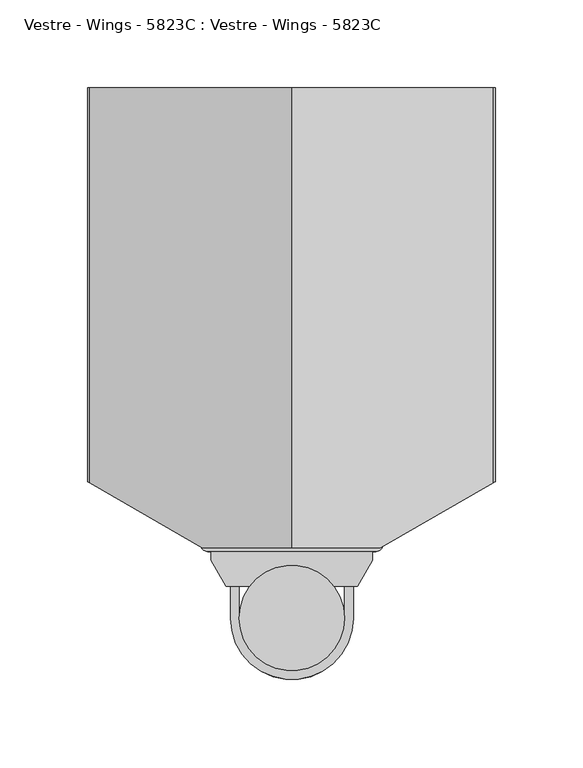
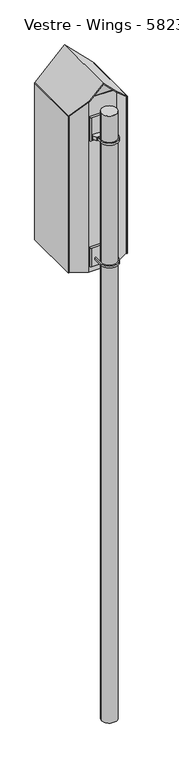
"""IFC4 building model written with IfcOpenShell, lengths in millimetres: furniture geometry, Vestre - Wings - 5823C : Vestre - Wings - 5823C."""

from ifc_helpers import new_model, si_unit, point, frame, frame_2d, origin, origin_with_axes, origin_2d, place, context, project, spatial, polyline, circle_curve, ellipse_curve, trimmed, segment, composite_curve, outline, extrude, faceted_brep, source, transform, mapped, element, save
from ifc_brep_helpers import plane_surface, cylinder_surface, advanced_brep


def vestre_wings_5823c_vestre_wings_5823c_73be9f05(model_context):
    return source(origin(), model_context, "Body", "SolidModel", [
        extrude(outline(composite_curve([segment(polyline([(30.0, 0.0), (30.0, 37.9679492), (35.0, 37.9679492), (35.0, 0.0)]), True, "CONTINUOUS"), segment(trimmed(circle_curve(origin_2d(), 35.0), [point((35.0, 0.0))], [point((-35.0, 0.0))], False, "CARTESIAN"), True, "CONTINUOUS"), segment(polyline([(-35.0, 0.0), (-35.0, 37.9679492), (-30.0, 37.9679492), (-30.0, 0.0)]), True, "CONTINUOUS"), segment(trimmed(circle_curve(origin_2d(), 30.0), [point((-30.0, 0.0))], [point((30.0, 0.0))], True, "CARTESIAN"), True, "CONTINUOUS")], self_intersect=False)), frame((0.0, 0.0, 1878.1092537), z_axis=(0.0, 0.0, 1.0), x_axis=(1.0, 0.0, 0.0)), (0.0, 0.0, 1.0), 7.9898167),
        extrude(outline(composite_curve([segment(polyline([(48.0, 37.9679492), (-48.0, 37.9679492)]), True, "CONTINUOUS"), segment(trimmed(circle_curve(frame_2d((-48.0, 41.9679492)), 4.0), [point((-48.0, 37.9679492))], [point((-52.0, 41.9679492))], False, "CARTESIAN"), True, "CONTINUOUS"), segment(polyline([(-52.0, 41.9679492), (-52.0, 47.0), (52.0, 47.0), (52.0, 41.9679492)]), True, "CONTINUOUS"), segment(trimmed(circle_curve(frame_2d((48.0, 41.9679492)), 4.0), [point((52.0, 41.9679492))], [point((48.0, 37.9679492))], False, "CARTESIAN"), True, "CONTINUOUS")], self_intersect=False)), frame((0.0, 0.0, 1852.6096834), z_axis=(0.0, 0.0, 1.0), x_axis=(1.0, 0.0, 0.0)), (0.0, 0.0, 1.0), 77.0),
        extrude(outline(composite_curve([segment(polyline([(-37.4575131, 17.9679492), (-46.0, 32.9679492), (-46.0, 37.9679492), (46.0, 37.9679492), (46.0, 32.9679492), (37.4575131, 17.9679492), (24.0240047, 17.9679492)]), True, "CONTINUOUS"), segment(trimmed(circle_curve(origin_2d(), 30.0), [point((24.0240047, 17.9679492))], [point((-24.0240047, 17.9679492))], True, "CARTESIAN"), True, "CONTINUOUS"), segment(polyline([(-24.0240047, 17.9679492), (-37.4575131, 17.9679492)]), True, "CONTINUOUS")], self_intersect=False)), frame((0.0, 0.0, 2379.1096834), z_axis=(0.0, 0.0, 1.0), x_axis=(1.0, 0.0, 0.0)), (0.0, 0.0, 1.0), 16.0),
        extrude(outline(composite_curve([segment(polyline([(30.0, 0.0), (30.0, 37.9679492), (35.0, 37.9679492), (35.0, 0.0)]), True, "CONTINUOUS"), segment(trimmed(circle_curve(origin_2d(), 35.0), [point((35.0, 0.0))], [point((-35.0, 0.0))], False, "CARTESIAN"), True, "CONTINUOUS"), segment(polyline([(-35.0, 0.0), (-35.0, 37.9679492), (-30.0, 37.9679492), (-30.0, 0.0)]), True, "CONTINUOUS"), segment(trimmed(circle_curve(origin_2d(), 30.0), [point((-30.0, 0.0))], [point((30.0, 0.0))], True, "CARTESIAN"), True, "CONTINUOUS")], self_intersect=False)), frame((0.0, 0.0, 2383.1092537), z_axis=(0.0, 0.0, 1.0), x_axis=(1.0, 0.0, 0.0)), (0.0, 0.0, 1.0), 7.9898167),
        extrude(outline(composite_curve([segment(polyline([(48.0, 37.9679492), (-48.0, 37.9679492)]), True, "CONTINUOUS"), segment(trimmed(circle_curve(frame_2d((-48.0, 41.9679492)), 4.0), [point((-48.0, 37.9679492))], [point((-52.0, 41.9679492))], False, "CARTESIAN"), True, "CONTINUOUS"), segment(polyline([(-52.0, 41.9679492), (-52.0, 47.0), (52.0, 47.0), (52.0, 41.9679492)]), True, "CONTINUOUS"), segment(trimmed(circle_curve(frame_2d((48.0, 41.9679492)), 4.0), [point((52.0, 41.9679492))], [point((48.0, 37.9679492))], False, "CARTESIAN"), True, "CONTINUOUS")], self_intersect=False)), frame((0.0, 0.0, 2370.6096834), z_axis=(0.0, 0.0, 1.0), x_axis=(1.0, 0.0, 0.0)), (0.0, 0.0, 1.0), 96.5005892),
        advanced_brep(
        [(-0.2473575, 40.0, 2589.8797257), (-51.1269898, 40.0, 2539.0000934), (-51.1269898, 40.0, 2534.7574528), (-0.2473575, 40.0, 2585.637085), (50.6322747, 40.0, 2534.7574528), (50.6322747, 40.0, 2539.0000934), (-0.2473575, 302.0, 2589.8797257), (114.7181546, 302.0, 2474.9142136), (115.8897275, 302.0, 2472.0857864), (115.8897275, 302.0, 1827.5), (112.8897275, 302.0, 1827.5), (112.8897275, 302.0, 2472.5), (-0.2473575, 302.0, 2585.637085), (-113.3844425, 302.0, 2472.5), (-113.3844425, 302.0, 1827.5), (-116.3844425, 302.0, 1827.5), (-116.3844425, 302.0, 2472.0857864), (-115.2128696, 302.0, 2474.9142136), (-115.2128696, 77.0, 2474.9142136), (-116.3844425, 77.6764079, 2472.0857864), (-116.3844425, 77.6764079, 1827.5), (-113.3844425, 75.9443571, 1827.5), (-113.3844425, 75.9443571, 2472.5), (112.8897275, 75.9443571, 2472.5), (112.8897275, 75.9443571, 1827.5), (115.8897275, 77.6764079, 1827.5), (115.8897275, 77.6764079, 2472.0857864), (114.7181546, 77.0, 2474.9142136)],
        [
            (0, 1),
            (1, 2),
            (2, 3),
            (3, 4),
            (4, 5),
            (5, 0),
            (6, 7),
            (7, 8, circle_curve(frame((111.8897275, 302.0, 2472.0857864), z_axis=(0.0, 1.0, 0.0), x_axis=(-1.0, 0.0, 0.0)), 4.0)),
            (8, 9),
            (9, 10),
            (10, 11),
            (11, 12),
            (12, 13),
            (13, 14),
            (14, 15),
            (15, 16),
            (16, 17, circle_curve(frame((-112.3844425, 302.0, 2472.0857864), z_axis=(0.0, 1.0, 0.0), x_axis=(-1.0, 0.0, 0.0)), 4.0)),
            (17, 6),
            (17, 18),
            (18, 1),
            (0, 6),
            (16, 19),
            (19, 18, ellipse_curve(frame((-112.3844425, 75.3670068, 2472.0857864), z_axis=(0.500000000000003, 0.866025403784437, 0.0), x_axis=(0.8660254037844373, -0.5000000000000027, 0.0)), 4.6188022, 4.0)),
            (15, 20),
            (20, 19),
            (14, 21),
            (21, 20),
            (13, 22),
            (22, 21),
            (12, 3),
            (2, 22),
            (11, 23),
            (23, 4),
            (10, 24),
            (24, 23),
            (9, 25),
            (25, 24),
            (8, 26),
            (26, 25),
            (7, 27),
            (27, 26, ellipse_curve(frame((111.8897275, 75.3670068, 2472.0857864), z_axis=(-0.5000000000000038, 0.8660254037844366, 0.0), x_axis=(-0.8660254037844368, -0.5000000000000034, 0.0)), 4.6188022, 4.0)),
            (5, 27),
        ],
        [
            plane_surface(frame((-115.2128696, 40.0, 2474.9142136), z_axis=(0.0, -1.0, 0.0), x_axis=(-0.7071067811865452, 0.0, -0.7071067811865499))),
            plane_surface(frame((-115.2128696, 302.0, 2474.9142136), z_axis=(0.0, 1.0, 0.0), x_axis=(0.7071067811865452, 0.0, 0.7071067811865499))),
            plane_surface(frame((-0.2473575, 40.0, 2589.8797257), z_axis=(-0.7071067811865499, 0.0, 0.7071067811865452), x_axis=(0.0, 1.0, 0.0))),
            cylinder_surface(frame((-112.3844425, 302.0, 2472.0857864), z_axis=(0.0, -1.0, 0.0), x_axis=(-1.0, 0.0, 0.0)), 4.0),
            plane_surface(frame((-116.3844425, 40.0, 2472.0857864), z_axis=(-1.0, 0.0, 0.0), x_axis=(0.0, 1.0, 0.0))),
            plane_surface(frame((-116.3844425, 40.0, 1827.5), z_axis=(0.0, 0.0, -1.0), x_axis=(0.0, 1.0, 0.0))),
            plane_surface(frame((-113.3844425, 40.0, 1827.5), z_axis=(1.0, 0.0, 0.0), x_axis=(0.0, 1.0, 0.0))),
            plane_surface(frame((-113.3844425, 40.0, 2472.5), z_axis=(0.7071067811865509, 0.0, -0.7071067811865441), x_axis=(0.0, 1.0, 0.0))),
            plane_surface(frame((-0.2473575, 40.0, 2585.637085), z_axis=(-0.7071067811865498, 0.0, -0.7071067811865455), x_axis=(0.0, 1.0, 0.0))),
            plane_surface(frame((112.8897275, 40.0, 2472.5), z_axis=(-1.0, 0.0, 0.0), x_axis=(0.0, 1.0, 0.0))),
            plane_surface(frame((112.8897275, 40.0, 1827.5), z_axis=(0.0, 0.0, -1.0), x_axis=(0.0, 1.0, 0.0))),
            plane_surface(frame((115.8897275, 40.0, 1827.5), z_axis=(1.0, 0.0, 0.0), x_axis=(0.0, 1.0, 0.0))),
            cylinder_surface(frame((111.8897275, 302.0, 2472.0857864), z_axis=(0.0, -1.0, 0.0), x_axis=(-1.0, 0.0, 0.0)), 4.0),
            plane_surface(frame((114.7181546, 40.0, 2474.9142136), z_axis=(0.7071067811865503, 0.0, 0.7071067811865448), x_axis=(0.0, 1.0, 0.0))),
            plane_surface(frame((-51.1269898, 40.0, 2624.29217), z_axis=(-0.500000000000003, -0.866025403784437, 0.0), x_axis=(0.0, 0.0, -1.0))),
            plane_surface(frame((118.7797193, 79.3449455, 2624.29217), z_axis=(0.5000000000000038, -0.8660254037844366, 0.0), x_axis=(0.0, 0.0, -1.0))),
        ],
        [
            (0, [[1, 2, 3, 4, 5, 6]]),
            (1, [[7, 8, 9, 10, 11, 12, 13, 14, 15, 16, 17, 18]]),
            (2, [[-18, 19, 20, -1, 21]]),
            (3, [[-17, 22, 23, -19]]),
            (4, [[-16, 24, 25, -22]]),
            (5, [[-15, 26, 27, -24]]),
            (6, [[-14, 28, 29, -26]]),
            (7, [[-13, 30, -3, 31, -28]]),
            (8, [[-12, 32, 33, -4, -30]]),
            (9, [[-11, 34, 35, -32]]),
            (10, [[-10, 36, 37, -34]]),
            (11, [[-9, 38, 39, -36]]),
            (12, [[-8, 40, 41, -38]]),
            (13, [[-7, -21, -6, 42, -40]]),
            (14, [[-2, -20, -23, -25, -27, -29, -31]]),
            (15, [[-5, -33, -35, -37, -39, -41, -42]]),
        ],
    ),
        faceted_brep([(-43.3844425, 47.0, 2542.5), (42.8897275, 47.0, 2542.5), (42.8897275, 50.0, 2542.5), (-43.3844425, 50.0, 2542.5), (-113.3844425, 80.8215223, 1827.5), (-113.3844425, 100.2679492, 1827.5), (-109.8897275, 100.2679492, 1827.5), (-109.8897275, 82.2679492, 1827.5), (-54.0, 50.0, 1827.5), (54.0, 50.0, 1827.5), (109.8897275, 82.2679492, 1827.5), (109.8897275, 100.2679492, 1827.5), (112.8897275, 100.2679492, 1827.5), (112.8897275, 80.5358984, 1827.5), (54.8038476, 47.0, 1827.5), (-54.8038476, 47.0, 1827.5), (-54.8038476, 47.0, 2531.0805949), (-113.3844425, 80.8215223, 2472.5), (54.8038476, 47.0, 2530.5858799), (112.8897275, 80.5358984, 2472.5), (112.8897275, 100.2679492, 2472.5), (109.8897275, 100.2679492, 2475.5), (109.8897275, 82.2679492, 2475.5), (54.0, 50.0, 2531.3897275), (-54.0, 50.0, 2531.8844425), (-109.8897275, 82.2679492, 2475.9947151), (-109.8897275, 100.2679492, 2475.9947151), (-113.3844425, 100.2679492, 2472.5)], [[[0, 1, 2, 3]], [[4, 5, 6, 7, 8, 9, 10, 11, 12, 13, 14, 15]], [[4, 15, 16, 17]], [[15, 14, 18, 1, 0, 16]], [[14, 13, 19, 18]], [[13, 12, 20, 19]], [[12, 11, 21, 20]], [[11, 10, 22, 21]], [[10, 9, 23, 22]], [[9, 8, 24, 3, 2, 23]], [[8, 7, 25, 24]], [[7, 6, 26, 25]], [[6, 5, 27, 26]], [[5, 4, 17, 27]], [[0, 3, 24, 25, 26, 27, 17, 16]], [[2, 1, 18, 19, 20, 21, 22, 23]]]),
        extrude(outline(composite_curve([segment(polyline([(280.7938524, 2158.6595971), (262.4970795, 2165.3190779)]), True, "CONTINUOUS"), segment(trimmed(circle_curve(frame_2d((261.4710191, 2162.5)), 3.0), [point((262.4970795, 2165.3190779))], [point((261.4710191, 2165.5))], True, "CARTESIAN"), True, "CONTINUOUS"), segment(polyline([(261.4710191, 2165.5), (255.3769496, 2165.5), (255.3769496, 2167.5), (261.9377121, 2167.5)]), True, "CONTINUOUS"), segment(trimmed(circle_curve(frame_2d((261.9377121, 2165.1467479)), 2.3532521), [point((261.9377121, 2167.5))], [point((262.7425717, 2167.3580815))], False, "CARTESIAN"), True, "CONTINUOUS"), segment(polyline([(262.7425717, 2167.3580815), (281.4778927, 2160.5389824), (280.7938524, 2158.6595971)]), True, "CONTINUOUS")], self_intersect=False)), frame((-113.3844425, 0.0, 0.0), z_axis=(1.0, 0.0, 0.0), x_axis=(0.0, 1.0, 0.0)), (0.0, 0.0, 1.0), 226.27417),
        extrude(outline(composite_curve([segment(polyline([(280.7938524, 2458.6595971), (262.4970795, 2465.3190779)]), True, "CONTINUOUS"), segment(trimmed(circle_curve(frame_2d((261.4710191, 2462.5)), 3.0), [point((262.4970795, 2465.3190779))], [point((261.4710191, 2465.5))], True, "CARTESIAN"), True, "CONTINUOUS"), segment(polyline([(261.4710191, 2465.5), (255.3769496, 2465.5), (255.3769496, 2467.5), (261.9377121, 2467.5)]), True, "CONTINUOUS"), segment(trimmed(circle_curve(frame_2d((261.9377121, 2465.1467479)), 2.3532521), [point((261.9377121, 2467.5))], [point((262.7425717, 2467.3580815))], False, "CARTESIAN"), True, "CONTINUOUS"), segment(polyline([(262.7425717, 2467.3580815), (281.4778927, 2460.5389824), (280.7938524, 2458.6595971)]), True, "CONTINUOUS")], self_intersect=False)), frame((-113.3844425, 0.0, 0.0), z_axis=(1.0, 0.0, 0.0), x_axis=(0.0, 1.0, 0.0)), (0.0, 0.0, 1.0), 226.27417),
        extrude(outline(composite_curve([segment(trimmed(circle_curve(origin_2d(), 30.0), [point((-30.0, 0.0))], [point((30.0, 0.0))], False, "CARTESIAN"), True, "CONTINUOUS"), segment(trimmed(circle_curve(origin_2d(), 30.0), [point((30.0, 0.0))], [point((-30.0, 0.0))], False, "CARTESIAN"), True, "CONTINUOUS")], self_intersect=False)), origin_with_axes(), (0.0, 0.0, 1.0), 2500.0),
    ])


if __name__ == "__main__":
    model = new_model("IFC4")
    model_context = context("Model", 3, world=origin())
    ifc_project = project(units=[si_unit("LENGTHUNIT", "METRE", prefix="MILLI")], contexts=[model_context])
    site = spatial("IfcSite", under=ifc_project)
    building = spatial("IfcBuilding", under=site)
    placement = place(None, origin())
    vestre_wings_5823c_vestre_wings_5823c_shape = vestre_wings_5823c_vestre_wings_5823c_73be9f05(model_context)
    element("IfcFurniture", 1, ObjectType="Vestre - Wings - 5823C : Vestre - Wings - 5823C", at=placement, inside=building, context=model_context, shape_type="MappedRepresentation", body=[
        mapped(vestre_wings_5823c_vestre_wings_5823c_shape, transform((0.0, 0.0, 0.0), x_axis=(1.0, 0.0, 0.0), y_axis=(0.0, 1.0, 0.0), z_axis=(0.0, 0.0, 1.0))),
    ])
    save(model, "model.ifc")
